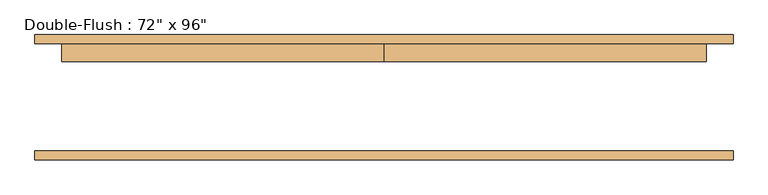
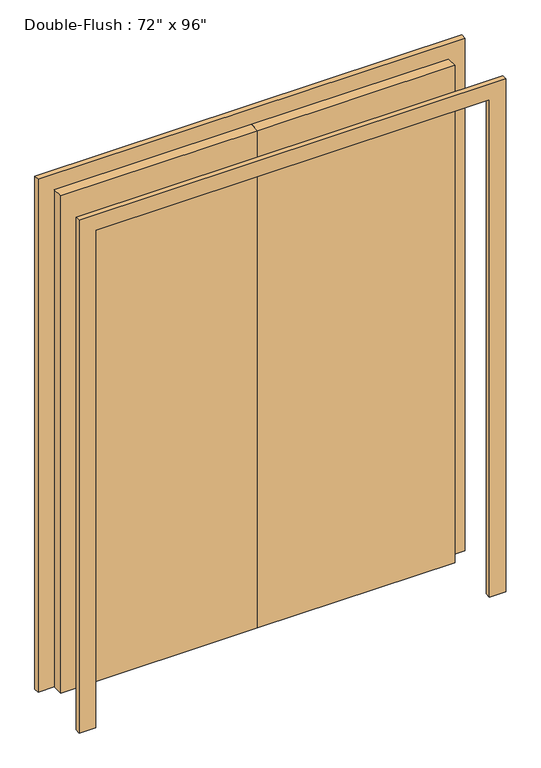
"""IFC4 building model written with IfcOpenShell, lengths in millimetres: door geometry."""

from ifc_helpers import new_model, si_unit, frame, origin, origin_with_axes, place, context, project, spatial, polyline, outline, extrude, source, transform, mapped, element, save


def door_6d7ee948(model_context):
    return source(origin(), model_context, "Body", "SweptSolid", [
        extrude(outline(polyline([(0.0, 152.4), (914.4, 152.4), (914.4, 101.6), (0.0, 101.6), (0.0, 152.4)])), origin_with_axes(), (0.0, 0.0, 1.0), 2438.4),
        extrude(outline(polyline([(-914.4, 152.4), (0.0, 152.4), (0.0, 101.6), (-914.4, 101.6), (-914.4, 152.4)])), origin_with_axes(), (0.0, 0.0, 1.0), 2438.4),
        extrude(outline(polyline([(2438.4, -914.4), (2438.4, 914.4), (0.0, 914.4), (0.0, 990.6), (2514.6, 990.6), (2514.6, -990.6), (0.0, -990.6), (0.0, -914.4), (2438.4, -914.4)])), frame((0.0, -177.8, 0.0), z_axis=(0.0, 1.0, 0.0), x_axis=(0.0, 0.0, 1.0)), (0.0, 0.0, 1.0), 25.4),
        extrude(outline(polyline([(2438.4, -914.4), (2438.4, 914.4), (0.0, 914.4), (0.0, 990.6), (2514.6, 990.6), (2514.6, -990.6), (0.0, -990.6), (0.0, -914.4), (2438.4, -914.4)])), frame((0.0, 152.4, 0.0), z_axis=(0.0, 1.0, 0.0), x_axis=(0.0, 0.0, 1.0)), (0.0, 0.0, 1.0), 25.4),
    ])


if __name__ == "__main__":
    model = new_model("IFC4")
    model_context = context("Model", 3, world=origin())
    ifc_project = project(units=[si_unit("LENGTHUNIT", "METRE", prefix="MILLI")], contexts=[model_context])
    site = spatial("IfcSite", under=ifc_project)
    building = spatial("IfcBuilding", under=site)
    placement = place(None, origin())
    door_shape = door_6d7ee948(model_context)
    element("IfcDoor", 1, ObjectType="Double-Flush : 72\" x 96\"", at=placement, inside=building, context=model_context, shape_type="MappedRepresentation", body=[
        mapped(door_shape, transform((0.0, 0.0, 0.0), x_axis=(1.0, 0.0, 0.0), y_axis=(0.0, 1.0, 0.0), z_axis=(0.0, 0.0, 1.0))),
    ])
    save(model, "model.ifc")
